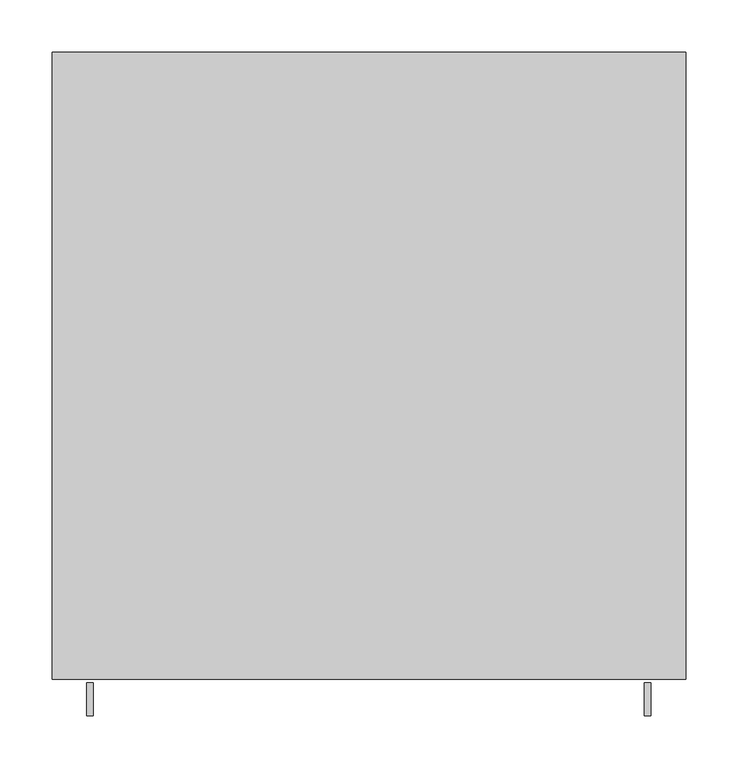
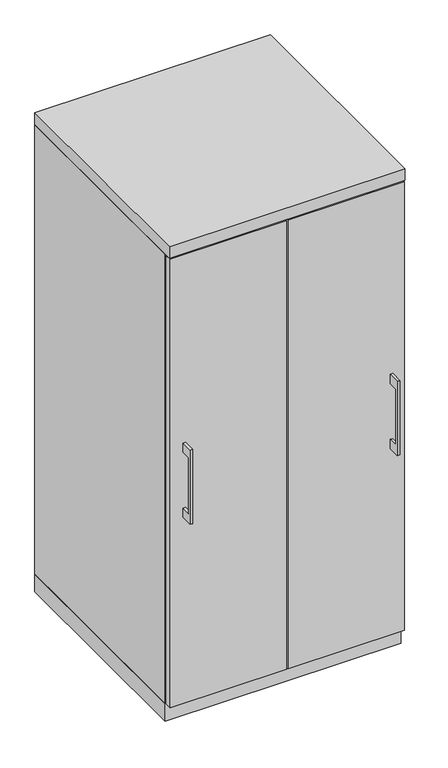
"""IFC4 building model written with IfcOpenShell, lengths in millimetres: furniture geometry."""

from ifc_helpers import new_model, si_unit, frame, origin, origin_with_axes, place, context, project, spatial, polyline, outline, extrude, source, transform, mapped, element, save


def furniture_65d7c8b3(model_context):
    return source(origin(), model_context, "Body", "SweptSolid", [
        extrude(outline(polyline([(-606.425, 736.6), (-631.8249758, 736.6), (-631.8249758, 584.2), (-606.425, 584.2), (-606.425, 558.8), (-638.1749879, 558.8), (-638.1749879, 762.0), (-606.425, 762.0), (-606.425, 736.6)])), frame((265.1125121, 0.0, 0.0), z_axis=(1.0, 0.0, 0.0), x_axis=(0.0, 1.0, 0.0)), (0.0, 0.0, 1.0), 6.3499758),
        extrude(outline(polyline([(303.2125, -603.25), (1.5875, -603.25), (1.5875, -584.2), (303.2125, -584.2), (303.2125, -603.25)])), frame((0.0, 0.0, 47.625), z_axis=(0.0, 0.0, 1.0), x_axis=(1.0, 0.0, 0.0)), (0.0, 0.0, 1.0), 1225.55),
        extrude(outline(polyline([(-606.425, 736.6), (-631.8249758, 736.6), (-631.8249758, 584.2), (-606.425, 584.2), (-606.425, 558.8), (-638.1749879, 558.8), (-638.1749879, 762.0), (-606.425, 762.0), (-606.425, 736.6)])), frame((-271.4624879, 0.0, 0.0), z_axis=(1.0, 0.0, 0.0), x_axis=(0.0, 1.0, 0.0)), (0.0, 0.0, 1.0), 6.3499758),
        extrude(outline(polyline([(-303.2125, -603.25), (-303.2125, -584.2), (-1.5875, -584.2), (-1.5875, -603.25), (-303.2125, -603.25)])), frame((0.0, 0.0, 47.625), z_axis=(0.0, 0.0, 1.0), x_axis=(1.0, 0.0, 0.0)), (0.0, 0.0, 1.0), 1225.55),
        extrude(outline(polyline([(304.8, 0.0), (304.8, -584.2), (-304.8, -584.2), (-304.8, 0.0), (304.8, 0.0)])), origin_with_axes(), (0.0, 0.0, 1.0), 47.625),
        extrude(outline(polyline([(304.8, 0.0), (304.8, -603.25), (-304.8, -603.25), (-304.8, 0.0), (304.8, 0.0)])), frame((0.0, 0.0, 1276.35), z_axis=(0.0, 0.0, 1.0), x_axis=(1.0, 0.0, 0.0)), (0.0, 0.0, 1.0), 31.75),
        extrude(outline(polyline([(304.8, 0.0), (304.8, -584.2), (285.75, -584.2), (285.75, -19.05), (9.525, -19.05), (9.525, -584.2), (-9.525, -584.2), (-9.525, -19.05), (-285.75, -19.05), (-285.75, -584.2), (-304.8, -584.2), (-304.8, 0.0), (304.8, 0.0)])), frame((0.0, 0.0, 47.625), z_axis=(0.0, 0.0, 1.0), x_axis=(1.0, 0.0, 0.0)), (0.0, 0.0, 1.0), 1228.725),
    ])


if __name__ == "__main__":
    model = new_model("IFC4")
    model_context = context("Model", 3, world=origin())
    ifc_project = project(units=[si_unit("LENGTHUNIT", "METRE", prefix="MILLI")], contexts=[model_context])
    site = spatial("IfcSite", under=ifc_project)
    building = spatial("IfcBuilding", under=site)
    placement = place(None, origin())
    furniture_shape = furniture_65d7c8b3(model_context)
    element("IfcFurniture", 1, at=placement, inside=building, context=model_context, shape_type="MappedRepresentation", body=[
        mapped(furniture_shape, transform((0.0, 0.0, 0.0), x_axis=(1.0, 0.0, 0.0), y_axis=(0.0, 1.0, 0.0), z_axis=(0.0, 0.0, 1.0))),
    ])
    save(model, "model.ifc")
